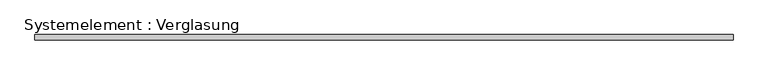
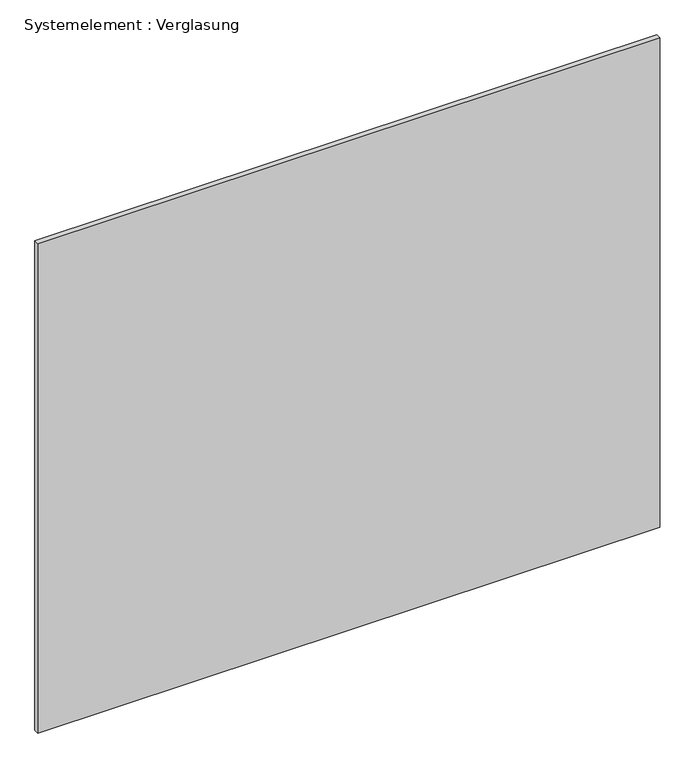
"""IFC4 building model written with IfcOpenShell, lengths in millimetres: plate geometry, Systemelement : Verglasung."""

from ifc_helpers import new_model, si_unit, origin, origin_with_axes, place, context, project, spatial, polyline, outline, extrude, source, transform, mapped, element, save


def systemelement_verglasung_d50b771a(model_context):
    return source(origin(), model_context, "Body", "SweptSolid", [
        extrude(outline(polyline([(1977.2916414, -15.0), (-1977.2916414, -15.0), (-1977.2916414, 15.0), (1977.2916414, 15.0), (1977.2916414, -15.0)])), origin_with_axes(), (0.0, 0.0, 1.0), 3290.0),
    ])


if __name__ == "__main__":
    model = new_model("IFC4")
    model_context = context("Model", 3, world=origin())
    ifc_project = project(units=[si_unit("LENGTHUNIT", "METRE", prefix="MILLI")], contexts=[model_context])
    site = spatial("IfcSite", under=ifc_project)
    building = spatial("IfcBuilding", under=site)
    placement = place(None, origin())
    systemelement_verglasung_shape = systemelement_verglasung_d50b771a(model_context)
    element("IfcPlate", 1, ObjectType="Systemelement : Verglasung", at=placement, inside=building, context=model_context, shape_type="MappedRepresentation", body=[
        mapped(systemelement_verglasung_shape, transform((0.0, 0.0, 0.0), x_axis=(1.0, 0.0, 0.0), y_axis=(0.0, 1.0, 0.0), z_axis=(0.0, 0.0, 1.0))),
    ])
    save(model, "model.ifc")
